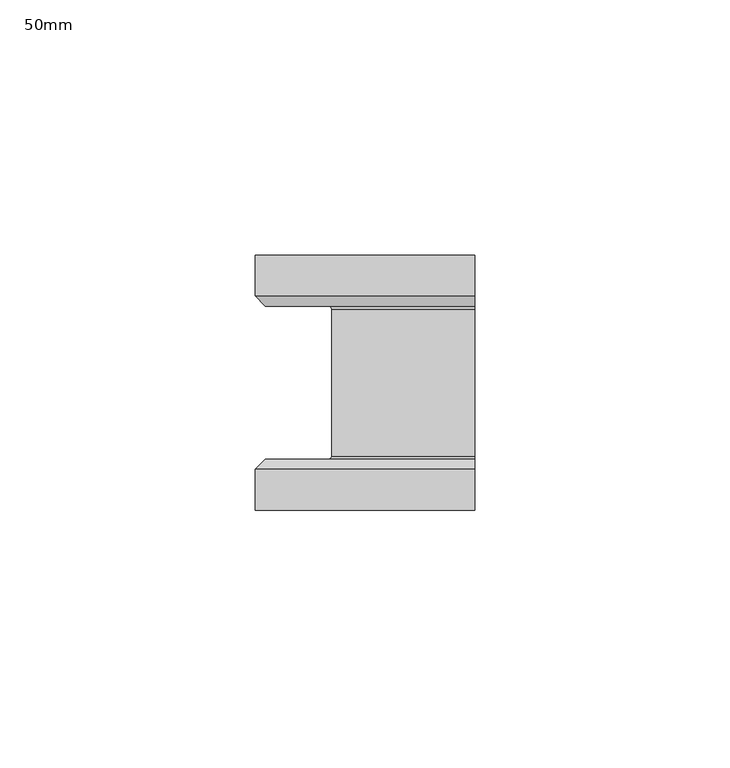
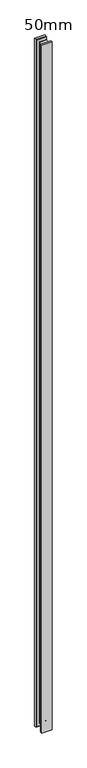
"""IFC4 building model written with IfcOpenShell, lengths in millimetres: plate geometry, 50mm."""

from ifc_helpers import new_model, si_unit, frame, origin, place, context, project, spatial, polyline, circle_curve, ellipse_curve, source, transform, mapped, element, save
from ifc_brep_helpers import plane_surface, revolved_surface, advanced_brep


def plate_50mm_82ad2c77(model_context):
    return source(origin(), model_context, "Body", "AdvancedBrep", [
        advanced_brep(
        [(21.5078125, -25.0, 3013.5), (21.5078125, -17.0, 3013.5), (-21.5078125, -17.0, 3013.5), (-21.5078125, -25.0, 3013.5), (-21.5078125, 25.0, 3013.5), (-21.5078125, 17.0, 3013.5), (21.5078125, 17.0, 3013.5), (21.5078125, 25.0, 3013.5), (21.5078125, 25.0, -13.5), (21.5078125, 17.0, -13.5), (-21.5078125, 17.0, -13.5), (-21.5078125, 25.0, -13.5), (-21.5078125, -25.0, -13.5), (-21.5078125, -17.0, -13.5), (21.5078125, -17.0, -13.5), (21.5078125, -25.0, -13.5), (21.5078125, -25.0, -12.5), (21.5078125, -25.0, 3012.5), (21.5078125, 25.0, 3012.5), (21.5078125, 25.0, -12.5), (21.5078125, 15.0, 3011.5), (21.5078125, 15.0, 2999.1), (21.5078125, 14.4, 2998.5), (21.5078125, -14.4, 2998.5), (21.5078125, -15.0, 2999.1), (21.5078125, -15.0, 3011.5), (21.5078125, -15.0, -11.5), (21.5078125, -15.0, 0.9), (21.5078125, -14.4, 1.5), (21.5078125, 14.4, 1.5), (21.5078125, 15.0, 0.9), (21.5078125, 15.0, -11.5), (-19.5078125, 15.0, -11.5), (-6.5078125, 14.4, 1.5), (-7.1078125, 15.0, 0.9), (-6.5078125, -14.4, 1.5), (-7.1078125, -15.0, 0.9), (-19.5078125, -15.0, -11.5), (-19.5078125, 15.0, 3011.5), (-7.1078125, 15.0, 2999.1), (-6.5078125, 14.4, 2998.5), (-6.5078125, -14.4, 2998.5), (-7.1078125, -15.0, 2999.1), (-19.5078125, -15.0, 3011.5)],
        [
            (0, 1),
            (1, 2),
            (2, 3),
            (3, 0),
            (4, 5),
            (5, 6),
            (6, 7),
            (7, 4),
            (8, 9),
            (9, 10),
            (10, 11),
            (11, 8),
            (12, 13),
            (13, 14),
            (14, 15),
            (15, 12),
            (3, 12),
            (15, 16),
            (16, 17),
            (17, 0),
            (2, 13),
            (10, 5),
            (4, 11),
            (7, 18),
            (18, 19),
            (19, 8),
            (6, 20),
            (20, 21),
            (21, 22, circle_curve(frame((21.5078125, 14.4, 2999.1), z_axis=(-1.0, 0.0, 0.0), x_axis=(0.0, 4.547473508134654e-12, -1.0)), 0.6)),
            (22, 23),
            (23, 24, circle_curve(frame((21.5078125, -14.4, 2999.1), z_axis=(-1.0, 0.0, 0.0), x_axis=(0.0, -1.0, 0.0)), 0.6)),
            (24, 25),
            (25, 1),
            (14, 26),
            (26, 27),
            (27, 28, circle_curve(frame((21.5078125, -14.4, 0.9), z_axis=(-1.0, 0.0, 0.0), x_axis=(0.0, -1.0, 0.0)), 0.6)),
            (28, 29),
            (29, 30, circle_curve(frame((21.5078125, 14.4, 0.9), z_axis=(-1.0, 0.0, 0.0), x_axis=(0.0, 4.547473508134654e-12, 1.0)), 0.6)),
            (30, 31),
            (31, 9),
            (32, 10),
            (31, 32),
            (33, 34, ellipse_curve(frame((-7.1078125, 14.4, 0.9), z_axis=(-0.7071067811865475, 0.0, 0.7071067811865475), x_axis=(-0.7071067811865476, 0.0, -0.7071067811865474)), 0.8485281, 0.6)),
            (34, 30),
            (29, 33),
            (28, 35),
            (35, 33),
            (27, 36),
            (36, 35, ellipse_curve(frame((-7.1078125, -14.4, 0.9), z_axis=(-0.7071067811865475, 0.0, 0.7071067811865475), x_axis=(-0.7071067811865476, 0.0, -0.7071067811865474)), 0.8485281, 0.6)),
            (13, 37),
            (37, 26),
            (5, 38),
            (38, 20),
            (39, 40, ellipse_curve(frame((-7.1078125, 14.4, 2999.1), z_axis=(-0.7071067811865475, 0.0, -0.7071067811865475), x_axis=(0.7071067811865476, 0.0, -0.7071067811865474)), 0.8485281, 0.6)),
            (40, 22),
            (21, 39),
            (40, 41),
            (41, 23),
            (41, 42, ellipse_curve(frame((-7.1078125, -14.4, 2999.1), z_axis=(-0.7071067811865475, 0.0, -0.7071067811865475), x_axis=(0.7071067811865476, 0.0, -0.7071067811865474)), 0.8485281, 0.6)),
            (42, 24),
            (43, 2),
            (25, 43),
            (32, 38),
            (33, 40),
            (39, 34),
            (35, 41),
            (36, 42),
            (43, 37),
        ],
        [
            plane_surface(frame((-21.5078125, -25.0, 3013.5), z_axis=(0.0, 0.0, 1.0), x_axis=(-1.0, 0.0, 0.0))),
            plane_surface(frame((-21.5078125, -25.0, -13.5), z_axis=(0.0, 0.0, -1.0), x_axis=(1.0, 0.0, 0.0))),
            plane_surface(frame((21.5078125, -25.0, 3013.5), z_axis=(0.0, -1.0, 0.0), x_axis=(0.0, 0.0, -1.0))),
            plane_surface(frame((-21.5078125, -25.0, 3013.5), z_axis=(-1.0, 0.0, 0.0), x_axis=(0.0, 0.0, -1.0))),
            plane_surface(frame((-21.5078125, 25.0, 3013.5), z_axis=(0.0, 1.0, 0.0), x_axis=(0.0, 0.0, -1.0))),
            plane_surface(frame((21.5078125, 25.0, 3013.5), z_axis=(1.0, 0.0, 0.0), x_axis=(0.0, 0.0, -1.0))),
            plane_surface(frame((-21.5078125, 17.0, -13.5), z_axis=(0.0, -0.7071067811866751, -0.7071067811864199), x_axis=(1.0, 0.0, 0.0))),
            revolved_surface(polyline([(-7.707812473537336, 14.400000000002729, 1.5), (21.5078125, 14.400000000002729, 1.5)]), (-8.0078125, 14.4, 0.9), (-1.0, 0.0, 0.0)),
            plane_surface(frame((-6.5078125, 14.4, 1.5), z_axis=(0.0, 0.0, -1.0), x_axis=(1.0, 0.0, 0.0))),
            revolved_surface(polyline([(-7.707812473537336, -15.0, 0.9), (21.5078125, -15.0, 0.9)]), (-8.0078125, -14.4, 0.9), (-1.0, 0.0, 0.0)),
            plane_surface(frame((-19.5078125, -15.0, -11.5), z_axis=(0.0, 0.7071067811660012, -0.7071067812070939), x_axis=(1.0, 0.0, 0.0))),
            plane_surface(frame((21.5078125, 17.0, 3013.5), z_axis=(0.0, -0.7071067811866751, 0.7071067811864199), x_axis=(-1.0, 0.0, 0.0))),
            revolved_surface(polyline([(21.5078125, 14.400000000002729, 2998.5), (-7.707812473537338, 14.400000000002729, 2998.5)]), (21.5078125, 14.4, 2999.1), (1.0, 0.0, 0.0)),
            plane_surface(frame((21.5078125, 14.4, 2998.5), z_axis=(0.0, 0.0, 1.0), x_axis=(-1.0, 0.0, 0.0))),
            revolved_surface(polyline([(21.5078125, -15.0, 2999.1), (-7.707812473537338, -15.0, 2999.1)]), (21.5078125, -14.4, 2999.1), (1.0, 0.0, 0.0)),
            plane_surface(frame((21.5078125, -15.0, 3011.5), z_axis=(0.0, 0.7071067811660012, 0.7071067812070939), x_axis=(-1.0, 0.0, 0.0))),
            plane_surface(frame((-21.5078125, 17.0, 3013.5), z_axis=(-0.7071067811864199, -0.7071067811866751, 0.0), x_axis=(0.0, 0.0, -1.0))),
            revolved_surface(polyline([(-6.5078125, 14.400000000002729, 2999.699999973537), (-6.5078125, 14.400000000002729, 0.30000002646283974)]), (-7.1078125, 14.4, 3000.0), (0.0, 0.0, 1.0)),
            plane_surface(frame((-6.5078125, 14.4, 2998.5), z_axis=(-1.0, 0.0, 0.0), x_axis=(0.0, 0.0, -1.0))),
            revolved_surface(polyline([(-7.1078125, -15.0, 2999.699999973537), (-7.1078125, -15.0, 0.30000002646283974)]), (-7.1078125, -14.4, 3000.0), (0.0, 0.0, 1.0)),
            plane_surface(frame((-19.5078125, -15.0, 3011.5), z_axis=(-0.7071067812070939, 0.7071067811660012, 0.0), x_axis=(0.0, 0.0, -1.0))),
            plane_surface(frame((21.5078125, 15.0, 3011.5), z_axis=(0.0, -1.0, 0.0), x_axis=(-1.0, 0.0, 0.0))),
            plane_surface(frame((21.5078125, -15.0, 2999.1), z_axis=(0.0, 1.0, 0.0), x_axis=(-1.0, 0.0, 0.0))),
        ],
        [
            (0, [[1, 2, 3, 4]]),
            (0, [[5, 6, 7, 8]]),
            (1, [[9, 10, 11, 12]]),
            (1, [[13, 14, 15, 16]]),
            (2, [[17, -16, 18, 19, 20, -4]]),
            (3, [[-3, 21, -13, -17]]),
            (3, [[-11, 22, -5, 23]]),
            (4, [[24, 25, 26, -12, -23, -8]]),
            (5, [[27, 28, 29, 30, 31, 32, 33, -1, -20, -19, -18, -15, 34, 35, 36, 37, 38, 39, 40, -9, -26, -25, -24, -7]]),
            (6, [[41, -10, -40, 42]]),
            (7, [[43, 44, -38, 45]]),
            (8, [[-37, 46, 47, -45]]),
            (9, [[-36, 48, 49, -46]]),
            (10, [[-34, -14, 50, 51]]),
            (11, [[-27, -6, 52, 53]]),
            (12, [[54, 55, -29, 56]]),
            (13, [[57, 58, -30, -55]]),
            (14, [[59, 60, -31, -58]]),
            (15, [[61, -2, -33, 62]]),
            (16, [[63, -52, -22, -41]]),
            (17, [[64, -54, 65, -43]]),
            (18, [[66, -57, -64, -47]]),
            (19, [[67, -59, -66, -49]]),
            (20, [[-21, -61, 68, -50]]),
            (21, [[-39, -44, -65, -56, -28, -53, -63, -42]]),
            (22, [[-35, -51, -68, -62, -32, -60, -67, -48]]),
        ],
    ),
    ])


if __name__ == "__main__":
    model = new_model("IFC4")
    model_context = context("Model", 3, world=origin())
    ifc_project = project(units=[si_unit("LENGTHUNIT", "METRE", prefix="MILLI")], contexts=[model_context])
    site = spatial("IfcSite", under=ifc_project)
    building = spatial("IfcBuilding", under=site)
    placement = place(None, origin())
    plate_50mm_shape = plate_50mm_82ad2c77(model_context)
    element("IfcPlate", 1, ObjectType="50mm", at=placement, inside=building, context=model_context, shape_type="MappedRepresentation", body=[
        mapped(plate_50mm_shape, transform((0.0, 0.0, 0.0), x_axis=(1.0, 0.0, 0.0), y_axis=(0.0, 1.0, 0.0), z_axis=(0.0, 0.0, 1.0))),
    ])
    save(model, "model.ifc")
